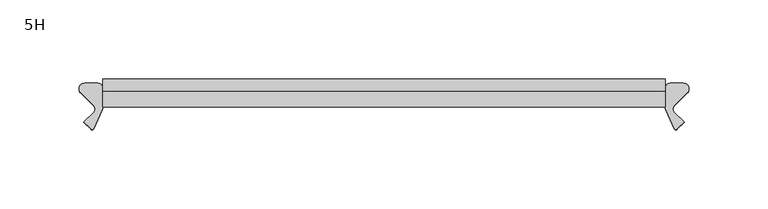
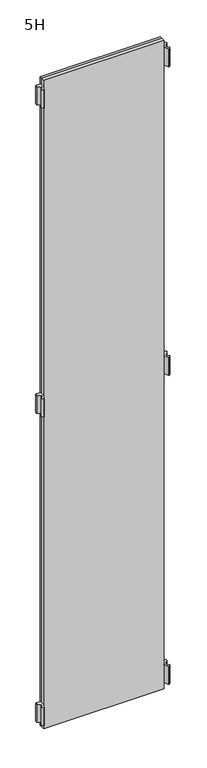
"""IFC4 building model written with IfcOpenShell, lengths in millimetres: furniture geometry, 5H."""

import ifcopenshell
import ifcopenshell.guid

model = None  # the IFC model being written
_history = None  # IfcOwnerHistory: only IFC2X3 demands one
_inside = {}  # id of a spatial element -> (the spatial element, [elements in it])
_under = {}  # id of a project, library or spatial element -> (it, [spatial elements below it])
_declared = {}  # id of a project -> (the project, [libraries it declares])
_typed = {}  # id of a type object -> (the type object, [elements of that type])
_made_of = {}  # id of a material, layer set ... -> (it, [elements and type objects made of it])


def new_model(schema):
    """Start an empty IFC model of exactly this schema.

    Asked for "IFC4X3", IfcOpenShell would pick the latest addendum, in which some entities
    have other attributes; the version numbers below select the first issue.
    IFC2X3 requires an IfcOwnerHistory on every rooted entity: one is made here for all.
    """
    global model, _history
    if schema == "IFC4X3":
        model = ifcopenshell.file(schema_version=(4, 3, 0, 0))
    else:
        model = ifcopenshell.file(schema=schema)
    _inside.clear()
    _under.clear()
    _declared.clear()
    _typed.clear()
    _made_of.clear()
    _history = None
    if model.schema == "IFC2X3":
        org = make("IfcOrganization", Name="unknown")
        user = make(
            "IfcPersonAndOrganization",
            ThePerson=make("IfcPerson", FamilyName="unknown"),
            TheOrganization=org,
        )
        app = make(
            "IfcApplication",
            ApplicationDeveloper=org,
            Version="unknown",
            ApplicationFullName="unknown",
            ApplicationIdentifier="unknown",
        )
        _history = make(
            "IfcOwnerHistory",
            OwningUser=user,
            OwningApplication=app,
            ChangeAction="ADDED",
            CreationDate=0,
        )
    return model


def make(cls, **values):
    """One entity of the class cls with the attributes given. An attribute that is None is left unset."""
    return model.create_entity(
        cls, **{name: value for name, value in values.items() if value is not None}
    )


def rooted(cls, **values):
    """An entity with a GlobalId (a new one), such as an element, a storey or a relation."""
    return make(cls, GlobalId=ifcopenshell.guid.new(), OwnerHistory=_history, **values)


def si_unit(unit_type, name, prefix=None):
    """IfcSIUnit, for example si_unit("LENGTHUNIT", "METRE", prefix="MILLI")."""
    return make("IfcSIUnit", UnitType=unit_type, Prefix=prefix, Name=name)


def assignment(units):
    """IfcUnitAssignment: the units of a project."""
    return None if units is None else make("IfcUnitAssignment", Units=units)


def point(xyz):
    """IfcCartesianPoint."""
    return None if xyz is None else make("IfcCartesianPoint", Coordinates=xyz)


def direction(xyz):
    """IfcDirection."""
    return None if xyz is None else make("IfcDirection", DirectionRatios=xyz)


def frame(location, z_axis=None, x_axis=None):
    """IfcAxis2Placement3D, a coordinate frame: its origin and axes. An axis left out is left unset."""
    return make(
        "IfcAxis2Placement3D",
        Location=point(location),
        Axis=direction(z_axis),
        RefDirection=direction(x_axis),
    )


def frame_2d(location, x_axis=None):
    """IfcAxis2Placement2D, a coordinate frame in the plane: its origin and x axis."""
    return make(
        "IfcAxis2Placement2D", Location=point(location), RefDirection=direction(x_axis)
    )


def origin():
    """The frame at (0, 0, 0) with its axes left unset."""
    return frame((0.0, 0.0, 0.0))


def place(relative_to, where):
    """IfcLocalPlacement: puts the frame where relative to a parent placement (None: the world)."""
    return make(
        "IfcLocalPlacement", PlacementRelTo=relative_to, RelativePlacement=where
    )


def context(
    kind, dimensions, precision=None, world=None, true_north=None, identifier=None
):
    """IfcGeometricRepresentationContext, for example the 3D "Model" context."""
    return make(
        "IfcGeometricRepresentationContext",
        ContextIdentifier=identifier,
        ContextType=kind,
        CoordinateSpaceDimension=dimensions,
        Precision=precision,
        WorldCoordinateSystem=world,
        TrueNorth=true_north,
    )


def project(units=None, contexts=None):
    """IfcProject with its units and contexts."""
    return rooted(
        "IfcProject",
        Name="project",
        RepresentationContexts=contexts,
        UnitsInContext=assignment(units),
    )


def spatial(cls, under=None, at=None, **own):
    """A site, building, storey or space (cls), placed at a placement, below another one or the project."""
    s = rooted(cls, ObjectPlacement=at, **own)
    if under is not None:
        _under.setdefault(under.id(), (under, []))[1].append(s)
    return s


def polyline(points):
    """IfcPolyline through the points."""
    return make("IfcPolyline", Points=[point(p) for p in points])


def circle_curve(where, radius):
    """IfcCircle in the frame where."""
    return make("IfcCircle", Position=where, Radius=radius)


def trimmed(basis, trim1, trim2, sense, master):
    """IfcTrimmedCurve: the piece of a basis curve between two trims."""
    return make(
        "IfcTrimmedCurve",
        BasisCurve=basis,
        Trim1=trim1,
        Trim2=trim2,
        SenseAgreement=sense,
        MasterRepresentation=master,
    )


def segment(curve, same_sense, transition):
    """IfcCompositeCurveSegment."""
    return make(
        "IfcCompositeCurveSegment",
        Transition=transition,
        SameSense=same_sense,
        ParentCurve=curve,
    )


def composite_curve(segments, self_intersect=None):
    """IfcCompositeCurve: segments joined end to end."""
    return make("IfcCompositeCurve", Segments=segments, SelfIntersect=self_intersect)


def outline(outer, holes=None, kind="AREA"):
    """IfcArbitraryClosedProfileDef: a profile drawn as a closed curve; with holes, ...WithVoids."""
    if holes is None:
        return make("IfcArbitraryClosedProfileDef", ProfileType=kind, OuterCurve=outer)
    return make(
        "IfcArbitraryProfileDefWithVoids",
        ProfileType=kind,
        OuterCurve=outer,
        InnerCurves=holes,
    )


def extrude(swept, where, along, depth):
    """IfcExtrudedAreaSolid: the profile swept, set in the frame where, extruded along a direction by depth."""
    return make(
        "IfcExtrudedAreaSolid",
        SweptArea=swept,
        Position=where,
        ExtrudedDirection=direction(along),
        Depth=depth,
    )


def shape(context_of_items, identifier, shape_type, items):
    """IfcShapeRepresentation: the items that make up one representation, for example the "Body"."""
    return make(
        "IfcShapeRepresentation",
        ContextOfItems=context_of_items,
        RepresentationIdentifier=identifier,
        RepresentationType=shape_type,
        Items=items,
    )


def source(mapping_origin, context_of_items, identifier, shape_type, items):
    """IfcRepresentationMap: a shape defined once, which mapped items show again and again."""
    return make(
        "IfcRepresentationMap",
        MappingOrigin=mapping_origin,
        MappedRepresentation=shape(context_of_items, identifier, shape_type, items),
    )


def transform(
    local_origin,
    x_axis=None,
    y_axis=None,
    z_axis=None,
    scale=None,
    scale2=None,
    scale3=None,
    uniform=True,
):
    """IfcCartesianTransformationOperator3D, or its non-uniform kind. x_axis, y_axis, z_axis: its Axis1, 2, 3."""
    if uniform:
        return make(
            "IfcCartesianTransformationOperator3D",
            Axis1=direction(x_axis),
            Axis2=direction(y_axis),
            LocalOrigin=point(local_origin),
            Scale=scale,
            Axis3=direction(z_axis),
        )
    return make(
        "IfcCartesianTransformationOperator3DnonUniform",
        Axis1=direction(x_axis),
        Axis2=direction(y_axis),
        LocalOrigin=point(local_origin),
        Scale=scale,
        Axis3=direction(z_axis),
        Scale2=scale2,
        Scale3=scale3,
    )


def mapped(mapping_source, mapping_target):
    """IfcMappedItem: shows the shape of a source again, moved by a transform."""
    return make(
        "IfcMappedItem", MappingSource=mapping_source, MappingTarget=mapping_target
    )


def made_of(thing, what):
    """Note that an element or type object is made of a material, layer set ...; save() writes the relation."""
    if what is not None:
        _made_of.setdefault(what.id(), (what, []))[1].append(thing)
    return thing


def element(
    cls,
    number,
    at=None,
    inside=None,
    cuts=None,
    type_object=None,
    material=None,
    context=None,
    identifier="Body",
    shape_type=None,
    held_by="IfcProductDefinitionShape",
    body=None,
    shapes=None,
    **own,
):
    """One element of the class cls, such as IfcWall. Its Tag is "e" and its number.

    at: its placement. inside: the storey or other place that contains it. cuts: it is an
    opening in that element (IfcRelVoidsElement). A single representation is given by context,
    identifier, shape_type and body (its items); several are given by shapes. held_by: the class
    of the entity that holds the representations. save() writes the other relations.
    """
    e = rooted(cls, Tag="e%d" % number, ObjectPlacement=at, **own)
    if body is not None:
        shapes = [shape(context, identifier, shape_type, body)]
    if shapes is not None:
        e.Representation = make(held_by, Representations=shapes)
    if inside is not None:
        _inside.setdefault(inside.id(), (inside, []))[1].append(e)
    if cuts is not None:
        rooted(
            "IfcRelVoidsElement", RelatingBuildingElement=cuts, RelatedOpeningElement=e
        )
    if type_object is not None:
        _typed.setdefault(type_object.id(), (type_object, []))[1].append(e)
    return made_of(e, material)


def aggregate(whole, parts):
    """IfcRelAggregates: a whole, such as a stair, and the parts it consists of."""
    return rooted("IfcRelAggregates", RelatingObject=whole, RelatedObjects=parts)


def save(model, path):
    """Write the relations noted so far, then the file.

    IfcRelAggregates (storeys below a building ...), IfcRelContainedInSpatialStructure (elements
    in a storey), IfcRelDefinesByType, IfcRelAssociatesMaterial and IfcRelDeclares: one each for
    every whole, place, type object, material and project.
    """
    for whole, parts in _under.values():
        aggregate(whole, parts)
    for where, things in _inside.values():
        rooted(
            "IfcRelContainedInSpatialStructure",
            RelatedElements=things,
            RelatingStructure=where,
        )
    for kind, things in _typed.values():
        rooted("IfcRelDefinesByType", RelatedObjects=things, RelatingType=kind)
    for what, things in _made_of.values():
        rooted("IfcRelAssociatesMaterial", RelatedObjects=things, RelatingMaterial=what)
    for by, libraries in _declared.values():
        rooted("IfcRelDeclares", RelatingContext=by, RelatedDefinitions=libraries)
    model.write(path)


def furniture_5h_97c0f489(model_context):
    return source(origin(), model_context, "Body", "SweptSolid", [
        extrude(outline(composite_curve([segment(polyline([(-183.736544, 2.1213203), (-191.9772844, 10.3620607)]), True, "CONTINUOUS"), segment(trimmed(circle_curve(frame_2d((-189.5024107, 12.8369345)), 3.5), [point((-191.9772844, 10.3620607))], [point((-189.5024107, 16.3369345))], False, "CARTESIAN"), True, "CONTINUOUS"), segment(polyline([(-189.5024107, 16.3369345), (-181.0, 16.3369345)]), True, "CONTINUOUS"), segment(trimmed(circle_curve(frame_2d((-181.0, 13.3369345)), 3.0), [point((-181.0, 16.3369345))], [point((-178.0, 13.3369345))], False, "CARTESIAN"), True, "CONTINUOUS"), segment(polyline([(-178.0, 13.3369345), (-178.0, 1.1084733)]), True, "CONTINUOUS"), segment(trimmed(circle_curve(frame_2d((-183.0, 1.1084733)), 5.0), [point((-178.0, 1.1084733))], [point((-178.4684611, -1.004618))], False, "CARTESIAN"), True, "CONTINUOUS"), segment(polyline([(-178.4684611, -1.004618), (-183.79287, -12.4228499)]), True, "CONTINUOUS"), segment(trimmed(circle_curve(frame_2d((-184.6991778, -12.0002316)), 1.0), [point((-183.79287, -12.4228499))], [point((-185.4062846, -12.7073384))], False, "CARTESIAN"), True, "CONTINUOUS"), segment(polyline([(-185.4062846, -12.7073384), (-189.8644234, -8.2491997), (-183.736544, -2.1213203)]), True, "CONTINUOUS"), segment(trimmed(circle_curve(frame_2d((-185.8578644, 0.0)), 3.0), [point((-183.736544, -2.1213203))], [point((-183.736544, 2.1213203))], True, "CARTESIAN"), True, "CONTINUOUS")], self_intersect=False)), frame((0.0, 0.0, 117.0), z_axis=(0.0, 0.0, 1.0), x_axis=(1.0, 0.0, 0.0)), (0.0, 0.0, 1.0), 56.0),
        extrude(outline(composite_curve([segment(trimmed(circle_curve(frame_2d((185.8578644, 0.0)), 3.0), [point((183.736544, 2.1213203))], [point((183.736544, -2.1213203))], True, "CARTESIAN"), True, "CONTINUOUS"), segment(polyline([(183.736544, -2.1213203), (189.8644234, -8.2491997), (185.4062846, -12.7073384)]), True, "CONTINUOUS"), segment(trimmed(circle_curve(frame_2d((184.6991778, -12.0002316)), 1.0), [point((185.4062846, -12.7073384))], [point((183.79287, -12.4228499))], False, "CARTESIAN"), True, "CONTINUOUS"), segment(polyline([(183.79287, -12.4228499), (178.4684611, -1.004618)]), True, "CONTINUOUS"), segment(trimmed(circle_curve(frame_2d((183.0, 1.1084733)), 5.0), [point((178.4684611, -1.004618))], [point((178.0, 1.1084733))], False, "CARTESIAN"), True, "CONTINUOUS"), segment(polyline([(178.0, 1.1084733), (178.0, 13.3369345)]), True, "CONTINUOUS"), segment(trimmed(circle_curve(frame_2d((181.0, 13.3369345)), 3.0), [point((178.0, 13.3369345))], [point((181.0, 16.3369345))], False, "CARTESIAN"), True, "CONTINUOUS"), segment(polyline([(181.0, 16.3369345), (189.5024107, 16.3369345)]), True, "CONTINUOUS"), segment(trimmed(circle_curve(frame_2d((189.5024107, 12.8369345)), 3.5), [point((189.5024107, 16.3369345))], [point((191.9772844, 10.3620607))], False, "CARTESIAN"), True, "CONTINUOUS"), segment(polyline([(191.9772844, 10.3620607), (183.736544, 2.1213203)]), True, "CONTINUOUS")], self_intersect=False)), frame((0.0, 0.0, 117.0), z_axis=(0.0, 0.0, 1.0), x_axis=(1.0, 0.0, 0.0)), (0.0, 0.0, 1.0), 56.0),
        extrude(outline(composite_curve([segment(polyline([(-183.736544, 2.1213203), (-191.9772844, 10.3620607)]), True, "CONTINUOUS"), segment(trimmed(circle_curve(frame_2d((-189.5024107, 12.8369345)), 3.5), [point((-191.9772844, 10.3620607))], [point((-189.5024107, 16.3369345))], False, "CARTESIAN"), True, "CONTINUOUS"), segment(polyline([(-189.5024107, 16.3369345), (-181.0, 16.3369345)]), True, "CONTINUOUS"), segment(trimmed(circle_curve(frame_2d((-181.0, 13.3369345)), 3.0), [point((-181.0, 16.3369345))], [point((-178.0, 13.3369345))], False, "CARTESIAN"), True, "CONTINUOUS"), segment(polyline([(-178.0, 13.3369345), (-178.0, 1.1084733)]), True, "CONTINUOUS"), segment(trimmed(circle_curve(frame_2d((-183.0, 1.1084733)), 5.0), [point((-178.0, 1.1084733))], [point((-178.4684611, -1.004618))], False, "CARTESIAN"), True, "CONTINUOUS"), segment(polyline([(-178.4684611, -1.004618), (-183.79287, -12.4228499)]), True, "CONTINUOUS"), segment(trimmed(circle_curve(frame_2d((-184.6991778, -12.0002316)), 1.0), [point((-183.79287, -12.4228499))], [point((-185.4062846, -12.7073384))], False, "CARTESIAN"), True, "CONTINUOUS"), segment(polyline([(-185.4062846, -12.7073384), (-189.8644234, -8.2491997), (-183.736544, -2.1213203)]), True, "CONTINUOUS"), segment(trimmed(circle_curve(frame_2d((-185.8578644, 0.0)), 3.0), [point((-183.736544, -2.1213203))], [point((-183.736544, 2.1213203))], True, "CARTESIAN"), True, "CONTINUOUS")], self_intersect=False)), frame((0.0, 0.0, 1079.0), z_axis=(0.0, 0.0, 1.0), x_axis=(1.0, 0.0, 0.0)), (0.0, 0.0, 1.0), 56.0),
        extrude(outline(composite_curve([segment(trimmed(circle_curve(frame_2d((185.8578644, 0.0)), 3.0), [point((183.736544, 2.1213203))], [point((183.736544, -2.1213203))], True, "CARTESIAN"), True, "CONTINUOUS"), segment(polyline([(183.736544, -2.1213203), (189.8644234, -8.2491997), (185.4062846, -12.7073384)]), True, "CONTINUOUS"), segment(trimmed(circle_curve(frame_2d((184.6991778, -12.0002316)), 1.0), [point((185.4062846, -12.7073384))], [point((183.79287, -12.4228499))], False, "CARTESIAN"), True, "CONTINUOUS"), segment(polyline([(183.79287, -12.4228499), (178.4684611, -1.004618)]), True, "CONTINUOUS"), segment(trimmed(circle_curve(frame_2d((183.0, 1.1084733)), 5.0), [point((178.4684611, -1.004618))], [point((178.0, 1.1084733))], False, "CARTESIAN"), True, "CONTINUOUS"), segment(polyline([(178.0, 1.1084733), (178.0, 13.3369345)]), True, "CONTINUOUS"), segment(trimmed(circle_curve(frame_2d((181.0, 13.3369345)), 3.0), [point((178.0, 13.3369345))], [point((181.0, 16.3369345))], False, "CARTESIAN"), True, "CONTINUOUS"), segment(polyline([(181.0, 16.3369345), (189.5024107, 16.3369345)]), True, "CONTINUOUS"), segment(trimmed(circle_curve(frame_2d((189.5024107, 12.8369345)), 3.5), [point((189.5024107, 16.3369345))], [point((191.9772844, 10.3620607))], False, "CARTESIAN"), True, "CONTINUOUS"), segment(polyline([(191.9772844, 10.3620607), (183.736544, 2.1213203)]), True, "CONTINUOUS")], self_intersect=False)), frame((0.0, 0.0, 1079.0), z_axis=(0.0, 0.0, 1.0), x_axis=(1.0, 0.0, 0.0)), (0.0, 0.0, 1.0), 56.0),
        extrude(outline(composite_curve([segment(polyline([(-183.736544, 2.1213203), (-191.9772844, 10.3620607)]), True, "CONTINUOUS"), segment(trimmed(circle_curve(frame_2d((-189.5024107, 12.8369345)), 3.5), [point((-191.9772844, 10.3620607))], [point((-189.5024107, 16.3369345))], False, "CARTESIAN"), True, "CONTINUOUS"), segment(polyline([(-189.5024107, 16.3369345), (-181.0, 16.3369345)]), True, "CONTINUOUS"), segment(trimmed(circle_curve(frame_2d((-181.0, 13.3369345)), 3.0), [point((-181.0, 16.3369345))], [point((-178.0, 13.3369345))], False, "CARTESIAN"), True, "CONTINUOUS"), segment(polyline([(-178.0, 13.3369345), (-178.0, 1.1084733)]), True, "CONTINUOUS"), segment(trimmed(circle_curve(frame_2d((-183.0, 1.1084733)), 5.0), [point((-178.0, 1.1084733))], [point((-178.4684611, -1.004618))], False, "CARTESIAN"), True, "CONTINUOUS"), segment(polyline([(-178.4684611, -1.004618), (-183.79287, -12.4228499)]), True, "CONTINUOUS"), segment(trimmed(circle_curve(frame_2d((-184.6991778, -12.0002316)), 1.0), [point((-183.79287, -12.4228499))], [point((-185.4062846, -12.7073384))], False, "CARTESIAN"), True, "CONTINUOUS"), segment(polyline([(-185.4062846, -12.7073384), (-189.8644234, -8.2491997), (-183.736544, -2.1213203)]), True, "CONTINUOUS"), segment(trimmed(circle_curve(frame_2d((-185.8578644, 0.0)), 3.0), [point((-183.736544, -2.1213203))], [point((-183.736544, 2.1213203))], True, "CARTESIAN"), True, "CONTINUOUS")], self_intersect=False)), frame((0.0, 0.0, 2040.1401745), z_axis=(0.0, 0.0, 1.0), x_axis=(1.0, 0.0, 0.0)), (0.0, 0.0, 1.0), 56.0),
        extrude(outline(composite_curve([segment(trimmed(circle_curve(frame_2d((185.8578644, 0.0)), 3.0), [point((183.736544, 2.1213203))], [point((183.736544, -2.1213203))], True, "CARTESIAN"), True, "CONTINUOUS"), segment(polyline([(183.736544, -2.1213203), (189.8644234, -8.2491997), (185.4062846, -12.7073384)]), True, "CONTINUOUS"), segment(trimmed(circle_curve(frame_2d((184.6991778, -12.0002316)), 1.0), [point((185.4062846, -12.7073384))], [point((183.79287, -12.4228499))], False, "CARTESIAN"), True, "CONTINUOUS"), segment(polyline([(183.79287, -12.4228499), (178.4684611, -1.004618)]), True, "CONTINUOUS"), segment(trimmed(circle_curve(frame_2d((183.0, 1.1084733)), 5.0), [point((178.4684611, -1.004618))], [point((178.0, 1.1084733))], False, "CARTESIAN"), True, "CONTINUOUS"), segment(polyline([(178.0, 1.1084733), (178.0, 13.3369345)]), True, "CONTINUOUS"), segment(trimmed(circle_curve(frame_2d((181.0, 13.3369345)), 3.0), [point((178.0, 13.3369345))], [point((181.0, 16.3369345))], False, "CARTESIAN"), True, "CONTINUOUS"), segment(polyline([(181.0, 16.3369345), (189.5024107, 16.3369345)]), True, "CONTINUOUS"), segment(trimmed(circle_curve(frame_2d((189.5024107, 12.8369345)), 3.5), [point((189.5024107, 16.3369345))], [point((191.9772844, 10.3620607))], False, "CARTESIAN"), True, "CONTINUOUS"), segment(polyline([(191.9772844, 10.3620607), (183.736544, 2.1213203)]), True, "CONTINUOUS")], self_intersect=False)), frame((0.0, 0.0, 2040.1401745), z_axis=(0.0, 0.0, 1.0), x_axis=(1.0, 0.0, 0.0)), (0.0, 0.0, 1.0), 56.0),
        extrude(outline(polyline([(178.0, 11.15), (178.0, 1.15), (-178.0, 1.15), (-178.0, 11.15), (178.0, 11.15)])), frame((0.0, 0.0, 97.0), z_axis=(0.0, 0.0, 1.0), x_axis=(1.0, 0.0, 0.0)), (0.0, 0.0, 1.0), 2020.0),
        extrude(outline(polyline([(178.0, 19.15), (178.0, 11.15), (-178.0, 11.15), (-178.0, 19.15), (178.0, 19.15)])), frame((0.0, 0.0, 97.0), z_axis=(0.0, 0.0, 1.0), x_axis=(1.0, 0.0, 0.0)), (0.0, 0.0, 1.0), 2020.0),
    ])


if __name__ == "__main__":
    model = new_model("IFC4")
    model_context = context("Model", 3, world=origin())
    ifc_project = project(units=[si_unit("LENGTHUNIT", "METRE", prefix="MILLI")], contexts=[model_context])
    site = spatial("IfcSite", under=ifc_project)
    building = spatial("IfcBuilding", under=site)
    placement = place(None, origin())
    furniture_5h_shape = furniture_5h_97c0f489(model_context)
    element("IfcFurniture", 1, ObjectType="5H", at=placement, inside=building, context=model_context, shape_type="MappedRepresentation", body=[
        mapped(furniture_5h_shape, transform((0.0, 0.0, 0.0), x_axis=(1.0, 0.0, 0.0), y_axis=(0.0, 1.0, 0.0), z_axis=(0.0, 0.0, 1.0))),
    ])
    save(model, "model.ifc")
